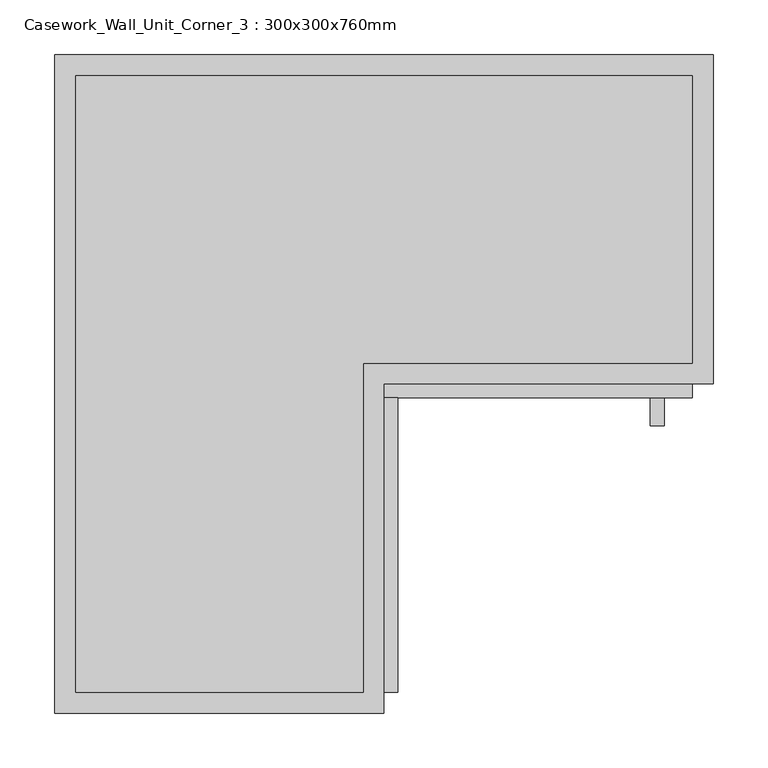
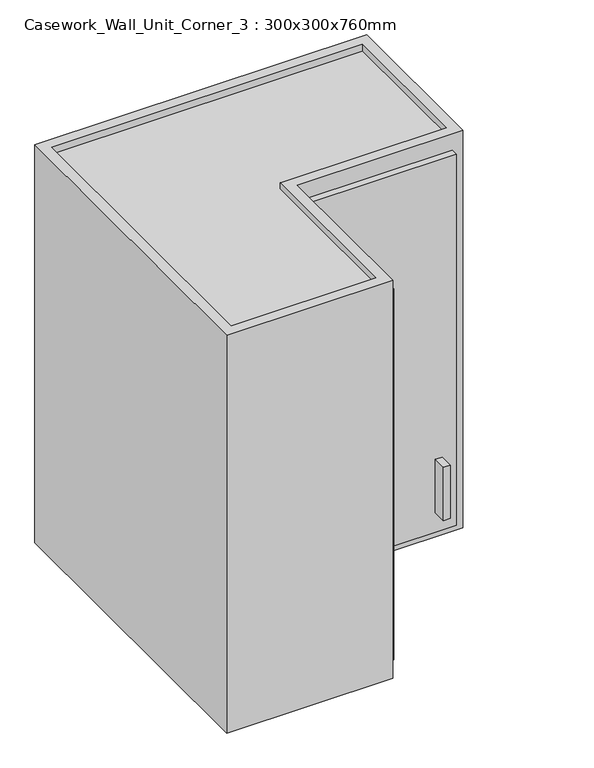
"""IFC4 building model written with IfcOpenShell, lengths in millimetres: furniture geometry, Casework_Wall_Unit_Corner_3 : 300x300x760mm."""

from ifc_helpers import new_model, si_unit, frame, origin, place, context, project, spatial, polyline, outline, extrude, source, transform, mapped, element, save


def casework_wall_unit_corner_3_300x300x760mm_13b8523f(model_context):
    return source(origin(), model_context, "Body", "SweptSolid", [
        extrude(outline(polyline([(501.2211628, -408.1), (501.2211628, -382.7), (513.9211628, -382.7), (513.9211628, -408.1), (501.2211628, -408.1)])), frame((0.0, 0.0, 1407.15), z_axis=(0.0, 0.0, 1.0), x_axis=(1.0, 0.0, 0.0)), (0.0, 0.0, 1.0), 101.6),
        extrude(outline(polyline([(271.0711628, -650.95), (258.3711628, -650.95), (258.3711628, -382.7), (271.0711628, -382.7), (271.0711628, -650.95)])), frame((0.0, 0.0, 1369.05), z_axis=(0.0, 0.0, 1.0), x_axis=(1.0, 0.0, 0.0)), (0.0, 0.0, 1.0), 709.2),
        extrude(outline(polyline([(258.3711628, -382.7), (258.3711628, -370.0), (539.3211628, -370.0), (539.3211628, -382.7), (258.3711628, -382.7)])), frame((0.0, 0.0, 1369.05), z_axis=(0.0, 0.0, 1.0), x_axis=(1.0, 0.0, 0.0)), (0.0, 0.0, 1.0), 709.2),
        extrude(outline(polyline([(-22.5788372, -650.95), (-22.5788372, -89.05), (539.3211628, -89.05), (539.3211628, -350.95), (239.3211628, -350.95), (239.3211628, -650.95), (-22.5788372, -650.95)])), frame((0.0, 0.0, 2078.25), z_axis=(0.0, 0.0, 1.0), x_axis=(1.0, 0.0, 0.0)), (0.0, 0.0, 1.0), 19.05),
        extrude(outline(polyline([(-22.5788372, -650.95), (-22.5788372, -89.05), (539.3211628, -89.05), (539.3211628, -350.95), (239.3211628, -350.95), (239.3211628, -650.95), (-22.5788372, -650.95)])), frame((0.0, 0.0, 1350.0), z_axis=(0.0, 0.0, 1.0), x_axis=(1.0, 0.0, 0.0)), (0.0, 0.0, 1.0), 19.05),
        extrude(outline(polyline([(-41.6288372, -670.0), (-41.6288372, -70.0), (558.3711628, -70.0), (558.3711628, -370.0), (258.3711628, -370.0), (258.3711628, -670.0), (-41.6288372, -670.0)]), holes=[polyline([(539.3211628, -89.05), (-22.5788372, -89.05), (-22.5788372, -650.95), (239.3211628, -650.95), (239.3211628, -350.95), (539.3211628, -350.95), (539.3211628, -89.05)])]), frame((0.0, 0.0, 1350.0), z_axis=(0.0, 0.0, 1.0), x_axis=(1.0, 0.0, 0.0)), (0.0, 0.0, 1.0), 760.0),
    ])


if __name__ == "__main__":
    model = new_model("IFC4")
    model_context = context("Model", 3, world=origin())
    ifc_project = project(units=[si_unit("LENGTHUNIT", "METRE", prefix="MILLI")], contexts=[model_context])
    site = spatial("IfcSite", under=ifc_project)
    building = spatial("IfcBuilding", under=site)
    placement = place(None, origin())
    casework_wall_unit_corner_3_300x300x760mm_shape = casework_wall_unit_corner_3_300x300x760mm_13b8523f(model_context)
    element("IfcFurniture", 1, ObjectType="Casework_Wall_Unit_Corner_3 : 300x300x760mm", at=placement, inside=building, context=model_context, shape_type="MappedRepresentation", body=[
        mapped(casework_wall_unit_corner_3_300x300x760mm_shape, transform((0.0, 0.0, 0.0), x_axis=(1.0, 0.0, 0.0), y_axis=(0.0, 1.0, 0.0), z_axis=(0.0, 0.0, 1.0))),
    ])
    save(model, "model.ifc")
